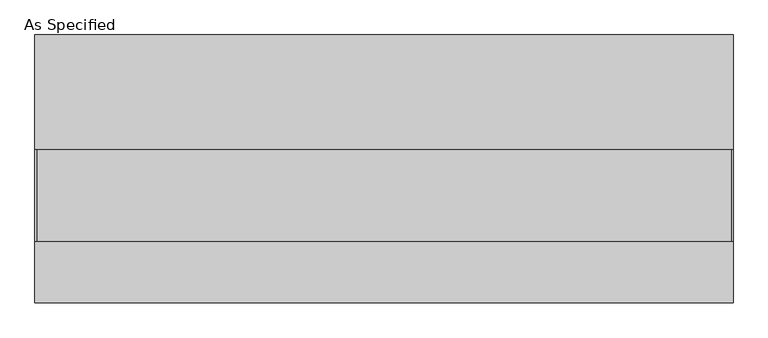
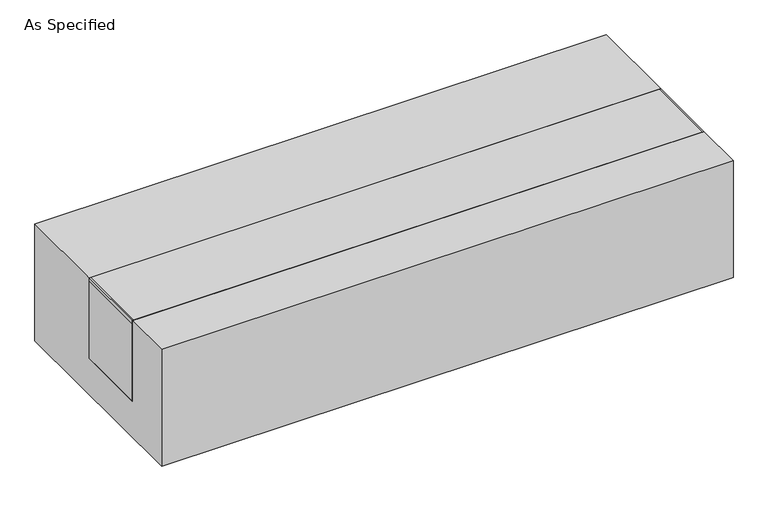
"""IFC4 building model written with IfcOpenShell, lengths in millimetres: proxy geometry, As Specified."""

from ifc_helpers import new_model, si_unit, point, frame, frame_2d, origin, place, context, project, spatial, polyline, circle_curve, trimmed, segment, composite_curve, outline, extrude, source, transform, mapped, element, save


def as_specified_17044180(model_context):
    return source(origin(), model_context, "Body", "SweptSolid", [
        extrude(outline(composite_curve([segment(trimmed(circle_curve(frame_2d((846.8125, -397.675)), 10.5), [point((846.8125, -408.175))], [point((846.8125, -387.175))], False, "CARTESIAN"), True, "CONTINUOUS"), segment(trimmed(circle_curve(frame_2d((846.8125, -397.675)), 10.5), [point((846.8125, -387.175))], [point((846.8125, -408.175))], False, "CARTESIAN"), True, "CONTINUOUS")], self_intersect=False)), frame((0.0, 0.0, -562.225), z_axis=(0.0, 0.0, 1.0), x_axis=(1.0, 0.0, 0.0)), (0.0, 0.0, 1.0), 32.0),
        extrude(outline(polyline([(-1161.25625, -241.3), (-1166.8125, -241.3), (-1166.8125, 63.5), (-1161.25625, 63.5), (-1161.25625, -241.3)])), frame((0.0, 0.0, -39.6875), z_axis=(0.0, 0.0, 1.0), x_axis=(1.0, 0.0, 0.0)), (0.0, 0.0, 1.0), 14.2875),
        extrude(outline(polyline([(1162.84375, 63.5), (1166.8125, 63.5), (1166.8125, -241.3), (1162.84375, -241.3), (1162.84375, 63.5)])), frame((0.0, 0.0, -39.6875), z_axis=(0.0, 0.0, 1.0), x_axis=(1.0, 0.0, 0.0)), (0.0, 0.0, 1.0), 14.2875),
        extrude(outline(polyline([(1166.8125, 63.5), (1166.8125, -241.3), (-1166.8125, -241.3), (-1166.8125, 63.5), (1166.8125, 63.5)])), frame((0.0, 0.0, -373.0625), z_axis=(0.0, 0.0, 1.0), x_axis=(1.0, 0.0, 0.0)), (0.0, 0.0, 1.0), 347.6625),
        extrude(outline(polyline([(447.675, -25.4), (447.675, -530.225), (-447.675, -530.225), (-447.675, -25.4), (-241.3, -25.4), (-241.3, -373.0625), (63.5, -373.0625), (63.5, -25.4), (447.675, -25.4)])), frame((-1166.8125, 0.0, 0.0), z_axis=(1.0, 0.0, 0.0), x_axis=(0.0, 1.0, 0.0)), (0.0, 0.0, 1.0), 2333.625),
    ])


if __name__ == "__main__":
    model = new_model("IFC4")
    model_context = context("Model", 3, world=origin())
    ifc_project = project(units=[si_unit("LENGTHUNIT", "METRE", prefix="MILLI")], contexts=[model_context])
    site = spatial("IfcSite", under=ifc_project)
    building = spatial("IfcBuilding", under=site)
    placement = place(None, origin())
    as_specified_shape = as_specified_17044180(model_context)
    element("IfcBuildingElementProxy", 1, Name="As Specified", ObjectType="As Specified", at=placement, inside=building, context=model_context, shape_type="MappedRepresentation", body=[
        mapped(as_specified_shape, transform((0.0, 0.0, 0.0), x_axis=(1.0, 0.0, 0.0), y_axis=(0.0, 1.0, 0.0), z_axis=(0.0, 0.0, 1.0))),
    ])
    save(model, "model.ifc")
